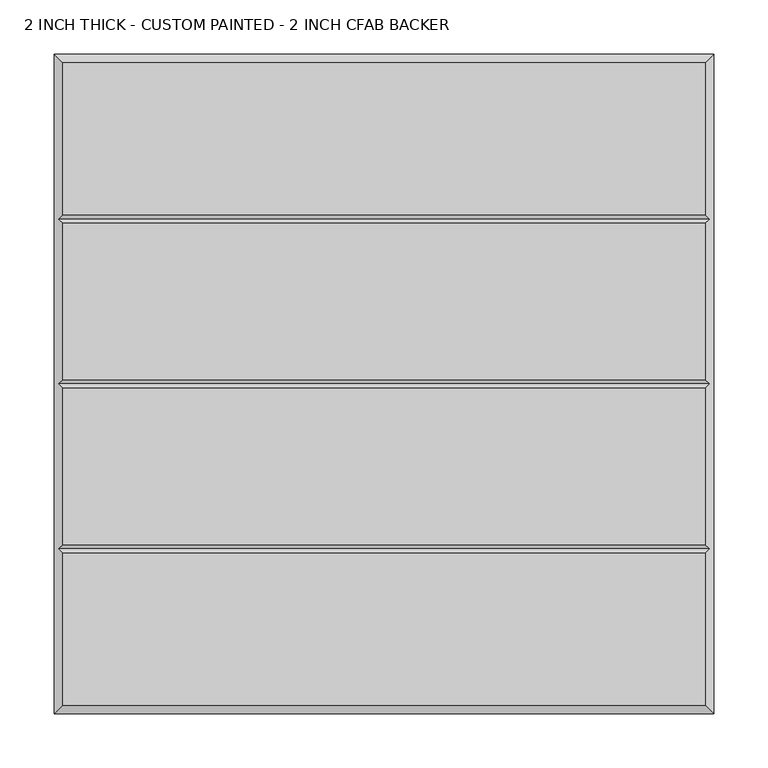
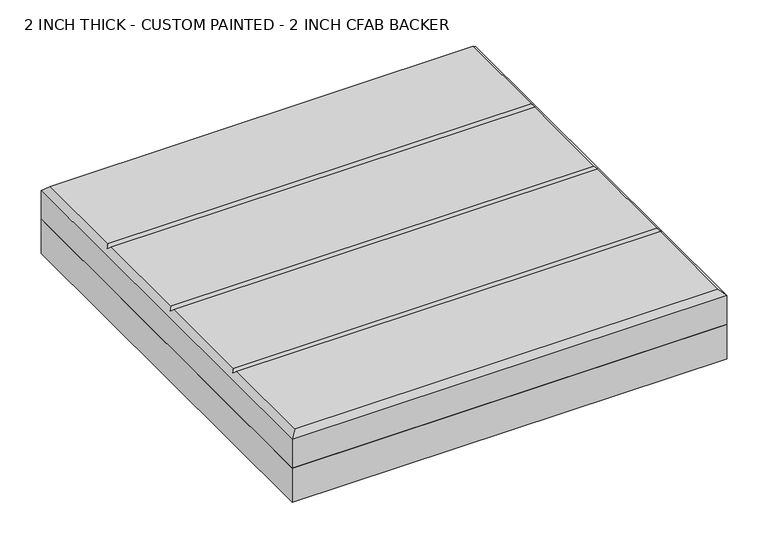
"""IFC4 building model written with IfcOpenShell, lengths in millimetres: proxy geometry, 2 INCH THICK - CUSTOM PAINTED - 2 INCH CFAB BACKER."""

from ifc_helpers import new_model, si_unit, frame, origin, place, context, project, spatial, polyline, outline, extrude, faceted_brep, source, transform, mapped, element, save


def proxy_2_inch_thick_custom_painted_2_inch_cfab_backer_fe073a01(model_context):
    return source(origin(), model_context, "Body", "SolidModel", [
        extrude(outline(polyline([(-304.8, 304.8), (304.8, 304.8), (304.8, -304.8), (-304.8, -304.8), (-304.8, 304.8)])), frame((0.0, 0.0, -50.8), z_axis=(0.0, 0.0, 1.0), x_axis=(1.0, 0.0, 0.0)), (0.0, 0.0, 1.0), 50.8),
        faceted_brep([(296.799, 296.799, 50.8), (-296.799, 296.799, 50.8), (-296.799, 156.4005254, 50.8), (296.799, 156.4005254, 50.8), (-296.799, -296.799, 50.8), (296.799, -296.799, 50.8), (296.799, -156.4004746, 50.8), (-296.799, -156.4004746, 50.8), (296.799, 148.3995254, 50.8), (-296.799, 148.3995254, 50.8), (-296.799, 4.0005, 50.8), (296.799, 4.0005, 50.8), (296.799, -4.0005, 50.8), (-296.799, -4.0005, 50.8), (-296.799, -148.3994746, 50.8), (296.799, -148.3994746, 50.8), (-304.8, 304.8, 0.0), (304.8, 304.8, 0.0), (304.8, -304.8, 0.0), (-304.8, -304.8, 0.0), (-304.8, -304.8, 42.799), (-304.8, 304.8, 42.799), (304.8, -304.8, 42.799), (304.8, 304.8, 42.799), (-300.7995, -152.3999746, 46.7995), (-300.7995, 0.0, 46.7995), (-300.7995, 152.4000254, 46.7995), (300.7995, 152.4000254, 46.7995), (300.7995, 0.0, 46.7995), (300.7995, -152.3999746, 46.7995)], [[[0, 1, 2, 3]], [[4, 5, 6, 7]], [[8, 9, 10, 11]], [[12, 13, 14, 15]], [[16, 17, 18, 19]], [[16, 19, 20, 21]], [[19, 18, 22, 20]], [[18, 17, 23, 22]], [[17, 16, 21, 23]], [[21, 1, 0, 23]], [[1, 21, 20, 4, 7, 24, 14, 13, 25, 10, 9, 26, 2]], [[4, 20, 22, 5]], [[23, 0, 3, 27, 8, 11, 28, 12, 15, 29, 6, 5, 22]], [[27, 26, 9, 8]], [[26, 27, 3, 2]], [[28, 25, 13, 12]], [[25, 28, 11, 10]], [[29, 24, 7, 6]], [[24, 29, 15, 14]]]),
    ])


if __name__ == "__main__":
    model = new_model("IFC4")
    model_context = context("Model", 3, world=origin())
    ifc_project = project(units=[si_unit("LENGTHUNIT", "METRE", prefix="MILLI")], contexts=[model_context])
    site = spatial("IfcSite", under=ifc_project)
    building = spatial("IfcBuilding", under=site)
    placement = place(None, origin())
    proxy_2_inch_thick_custom_painted_2_inch_cfab_backer_shape = proxy_2_inch_thick_custom_painted_2_inch_cfab_backer_fe073a01(model_context)
    element("IfcBuildingElementProxy", 1, Name="2 INCH THICK - CUSTOM PAINTED - 2 INCH CFAB BACKER", ObjectType="2 INCH THICK - CUSTOM PAINTED - 2 INCH CFAB BACKER", at=placement, inside=building, context=model_context, shape_type="MappedRepresentation", body=[
        mapped(proxy_2_inch_thick_custom_painted_2_inch_cfab_backer_shape, transform((0.0, 0.0, 0.0), x_axis=(1.0, 0.0, 0.0), y_axis=(0.0, 1.0, 0.0), z_axis=(0.0, 0.0, 1.0))),
    ])
    save(model, "model.ifc")
